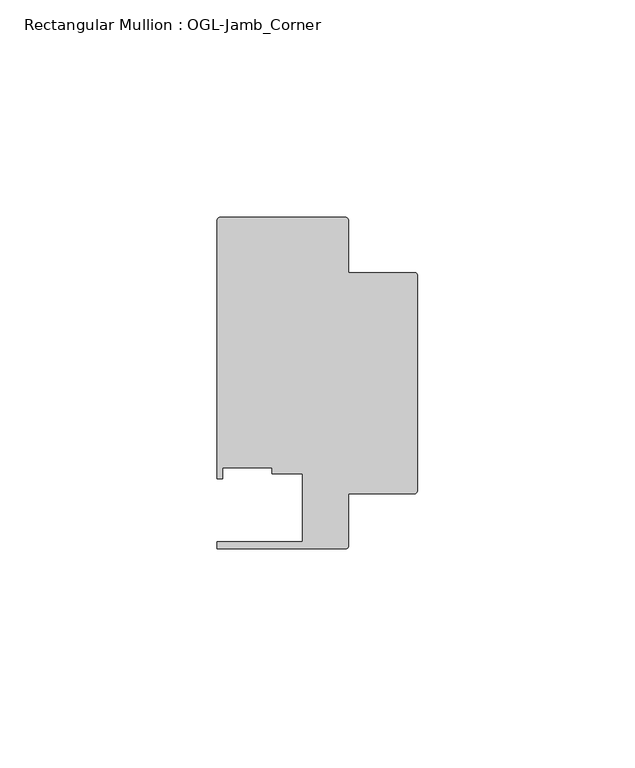
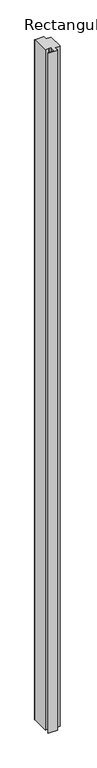
"""IFC4 building model written with IfcOpenShell, lengths in millimetres: member geometry, Rectangular Mullion : OGL-Jamb_Corner."""

from ifc_helpers import new_model, si_unit, point, frame, frame_2d, origin, place, context, project, spatial, polyline, circle_curve, trimmed, segment, composite_curve, outline, extrude, source, transform, mapped, element, save


def rectangular_mullion_ogl_jamb_corner_08b86e61(model_context):
    return source(origin(), model_context, "Body", "SweptSolid", [
        extrude(outline(composite_curve([segment(trimmed(circle_curve(frame_2d((-0.5953125, 54.9671875)), 0.5953125), [point((-0.5953125, 55.5625))], [point((0.0, 54.9671875))], False, "CARTESIAN"), True, "CONTINUOUS"), segment(polyline([(0.0, 54.9671875), (0.0, 5.3578125)]), True, "CONTINUOUS"), segment(trimmed(circle_curve(frame_2d((-0.5953125, 5.3578125)), 0.5953125), [point((0.0, 5.3578125))], [point((-0.5953125, 4.7625))], False, "CARTESIAN"), True, "CONTINUOUS"), segment(polyline([(-0.5953125, 4.7625), (-15.8750672, 4.7625), (-15.8750672, -7.3422035)]), True, "CONTINUOUS"), segment(trimmed(circle_curve(frame_2d((-16.4703797, -7.3422035)), 0.5953125), [point((-15.8750672, -7.3422035))], [point((-16.4703797, -7.937516))], False, "CARTESIAN"), True, "CONTINUOUS"), segment(polyline([(-16.4703797, -7.937516), (-46.0248655, -7.937516), (-46.0248655, -6.350016), (-26.3720794, -6.350016), (-26.3720794, 9.3367652), (-33.3985545, 9.3367652), (-33.3985545, 10.6800725), (-44.7780305, 10.6800725), (-44.7780305, 8.1914024), (-46.0339598, 8.1914024), (-46.0339598, 67.6668667)]), True, "CONTINUOUS"), segment(trimmed(circle_curve(frame_2d((-45.4386473, 67.6668667)), 0.5953125), [point((-46.0339598, 67.6668667))], [point((-45.4386473, 68.2621792))], False, "CARTESIAN"), True, "CONTINUOUS"), segment(polyline([(-45.4386473, 68.2621792), (-16.4703797, 68.2621792)]), True, "CONTINUOUS"), segment(trimmed(circle_curve(frame_2d((-16.4703797, 67.6668667)), 0.5953125), [point((-16.4703797, 68.2621792))], [point((-15.8750672, 67.6668667))], False, "CARTESIAN"), True, "CONTINUOUS"), segment(polyline([(-15.8750672, 67.6668667), (-15.8750672, 55.5625), (-0.5953125, 55.5625)]), True, "CONTINUOUS")], self_intersect=False)), frame((0.0, 0.0, -2339.9738578), z_axis=(0.0, 0.0, 1.0), x_axis=(1.0, 0.0, 0.0)), (0.0, 0.0, 1.0), 2339.9738578),
    ])


if __name__ == "__main__":
    model = new_model("IFC4")
    model_context = context("Model", 3, world=origin())
    ifc_project = project(units=[si_unit("LENGTHUNIT", "METRE", prefix="MILLI")], contexts=[model_context])
    site = spatial("IfcSite", under=ifc_project)
    building = spatial("IfcBuilding", under=site)
    placement = place(None, origin())
    rectangular_mullion_ogl_jamb_corner_shape = rectangular_mullion_ogl_jamb_corner_08b86e61(model_context)
    element("IfcMember", 1, ObjectType="Rectangular Mullion : OGL-Jamb_Corner", at=placement, inside=building, context=model_context, shape_type="MappedRepresentation", body=[
        mapped(rectangular_mullion_ogl_jamb_corner_shape, transform((0.0, 0.0, 0.0), x_axis=(1.0, 0.0, 0.0), y_axis=(0.0, 1.0, 0.0), z_axis=(0.0, 0.0, 1.0))),
    ])
    save(model, "model.ifc")
